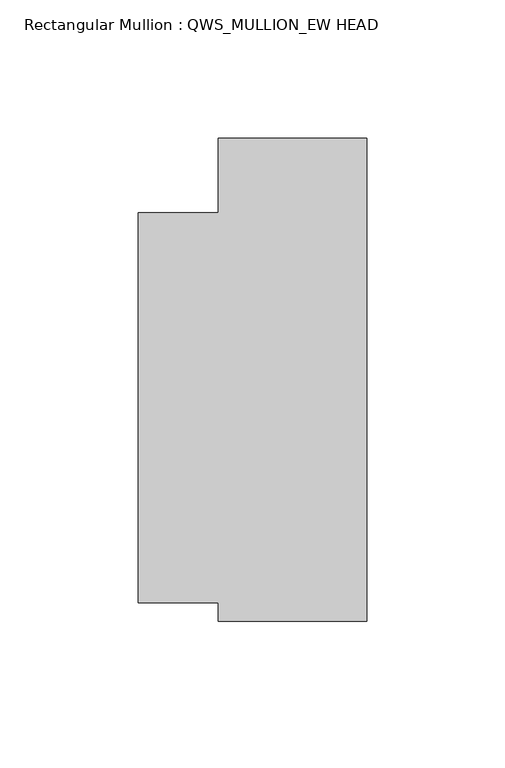
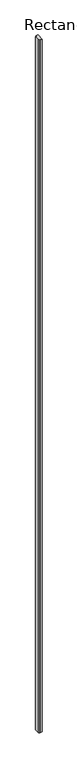
"""IFC4 building model written with IfcOpenShell, lengths in millimetres: member geometry, Rectangular Mullion : QWS_MULLION_EW HEAD."""

from ifc_helpers import new_model, si_unit, frame, origin, place, context, project, spatial, polyline, outline, extrude, source, transform, mapped, element, save


def rectangular_mullion_qws_mullion_ew_head_e1ec347b(model_context):
    return source(origin(), model_context, "Body", "SweptSolid", [
        extrude(outline(polyline([(-53.6296796, 52.0998485), (-53.6296796, 79.0368628), (0.0, 79.0368628), (0.0, -95.5153725), (-53.6295708, -95.5153725), (-53.6295708, -88.9), (-82.5499489, -88.9), (-82.5499489, 52.0998485), (-53.6296796, 52.0998485)])), frame((0.0, 0.0, -17870.3600445), z_axis=(0.0, 0.0, 1.0), x_axis=(1.0, 0.0, 0.0)), (0.0, 0.0, 1.0), 17870.3600445),
    ])


if __name__ == "__main__":
    model = new_model("IFC4")
    model_context = context("Model", 3, world=origin())
    ifc_project = project(units=[si_unit("LENGTHUNIT", "METRE", prefix="MILLI")], contexts=[model_context])
    site = spatial("IfcSite", under=ifc_project)
    building = spatial("IfcBuilding", under=site)
    placement = place(None, origin())
    rectangular_mullion_qws_mullion_ew_head_shape = rectangular_mullion_qws_mullion_ew_head_e1ec347b(model_context)
    element("IfcMember", 1, ObjectType="Rectangular Mullion : QWS_MULLION_EW HEAD", at=placement, inside=building, context=model_context, shape_type="MappedRepresentation", body=[
        mapped(rectangular_mullion_qws_mullion_ew_head_shape, transform((0.0, 0.0, 0.0), x_axis=(1.0, 0.0, 0.0), y_axis=(0.0, 1.0, 0.0), z_axis=(0.0, 0.0, 1.0))),
    ])
    save(model, "model.ifc")
